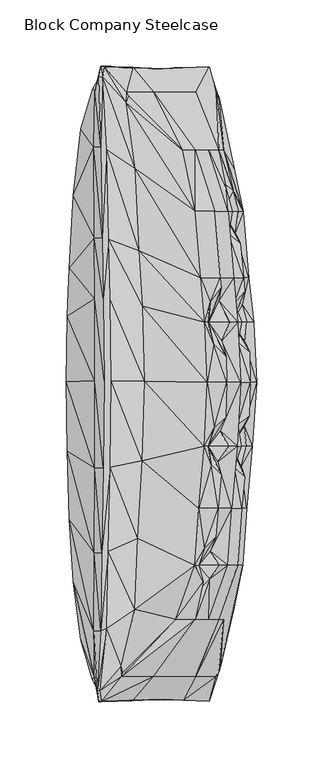
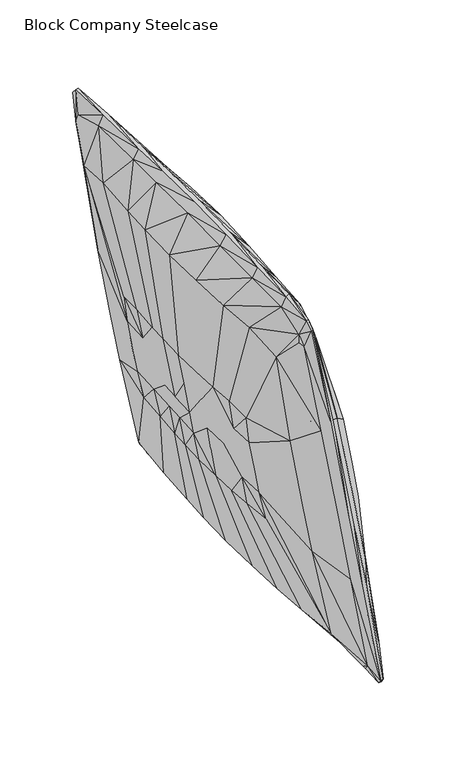
"""IFC4 building model written with IfcOpenShell, lengths in millimetres: furniture geometry, Block Company Steelcase."""

from ifc_helpers import new_model, si_unit, origin, place, context, project, spatial, triangles, source, transform, mapped, element, save


def block_company_steelcase_0cc6c010(model_context):
    return source(origin(), model_context, "Body", "Tessellation", [
        triangles([(50.6632684, -136.8740218, 31.0762032), (36.2556313, -177.4883487, 28.5357559), (43.6566149, -177.4883487, -13.4372714), (58.0642429, -136.8740218, -10.8968117), (55.4222893, -63.0541909, 3.5569984), (53.5662662, -93.9163332, 31.588086), (60.9672497, -93.9163332, -10.3849346), (63.2189973, -69.9365878, -9.897185), (58.0836685, 31.5732999, 4.1595361), (60.2216058, 1.3714042, 32.7615972), (67.6225802, 1.3714042, -9.2114199), (67.0287847, 24.0271421, -9.2255548), (44.8036288, 80.257256, 90.2928444), (55.1069652, 80.257256, 31.8597491), (51.0715965, 130.2441939, 31.14821), (40.7682646, 130.2441939, 89.5812962), (43.2629343, -93.9163332, 90.0211767), (41.4395809, -115.8336727, 89.9432109), (37.4831409, -126.4170111, 74.6425369), (49.9182739, 1.3714042, 91.1947061), (49.0766374, -25.5140086, 91.3020942), (45.0317308, -35.1483678, 75.9216558), (45.4650801, 72.7197618, 90.7673521), (43.8398023, 62.7875238, 70.2190106), (44.1812785, -136.9095756, 67.5281865), (36.8681893, -147.1129226, 74.1744196), (57.9070895, -47.0533688, 32.3534826), (51.1835673, -47.0753651, 68.2477192), (43.1618413, -58.8264693, 75.36514), (58.1613436, 46.6722102, 32.3983086), (52.0741243, 46.6636624, 63.623383), (46.0722832, 32.6066989, 71.2255852), (62.5079442, 80.257256, -10.1132692), (60.1255406, 106.1199125, -10.4326367), (51.1678751, 113.17337, 2.9800887), (60.8026886, -47.0780267, 14.5120412), (58.0343664, -30.9162656, 3.7569422), (61.0325664, 46.897469, 14.5652163), (55.4206315, 60.513026, 6.0623344), (47.4780068, -177.4883487, -61.1328465), (61.8855485, -136.8740218, -58.5924219), (64.7882692, -93.9163332, -58.08058), (66.8796205, -24.219461, -9.2517211), (63.0711184, -31.7324949, -25.178346), (72.384508, 1.3714061, -56.7411723), (63.4962151, 69.7677891, -9.8484314), (61.5255505, 59.7103543, -28.2115343), (66.3288774, 80.257256, -57.8089351), (69.1288201, -47.0533688, -57.3152334), (64.6912775, -47.0780267, -34.4728595), (60.6773783, -62.236322, -25.8628381), (70.3242413, 46.6722011, -57.1044541), (64.9214824, 46.897469, -34.4451699), (63.2580801, 32.3852008, -25.5436943), (62.2938176, 130.2441939, -58.5204287), (58.4146621, 130.3086431, -37.0148055), (56.3520609, 114.0262068, -26.8149353), (38.2419199, -61.066744, 102.2372098), (35.780683, -47.0753651, 112.3835745), (32.8275747, -47.0533688, 130.6105233), (28.4867446, -93.9163332, 129.8451086), (39.9823933, 29.8328538, 107.0043607), (35.2957221, 46.6636715, 117.2835661), (33.081822, 46.6722102, 130.6553516), (35.142091, 1.3714042, 131.0186379), (25.9920885, 130.2441849, 129.4052462), (30.0274481, 80.257256, 130.1167944), (25.5837514, -136.8740218, 129.3332394), (28.8428638, -136.9095756, 110.6205462), (32.9515088, -124.3142961, 101.0501093), (40.5479701, -32.9089583, 102.4179309), (37.4790918, 61.5422555, 107.1801675), (25.952304, -177.4883487, 86.9688376), (25.9106459, -157.9854876, 87.2050514), (32.0746274, -149.2093063, 101.2620331), (11.1761097, -177.4883487, 126.7927876), (25.9523153, 176.518804, 86.9688376), (16.4806244, 176.518804, 127.7281229), (53.9100497, 130.3086431, 14.7518794), (49.403557, 146.9817897, 3.3109784), (36.2556426, 176.518804, 28.5357559), (43.6566239, 176.518804, -13.4372714), (43.6394012, 154.4973465, -13.3395905), (54.8901134, 146.1245382, -27.7194563), (47.4780113, 176.518804, -61.1328601), (28.82295, -136.8740218, 87.4750204), (35.9831302, -47.0533688, 88.7375432), (36.234498, 46.6722011, 88.7818628), (53.6874615, -47.0533688, -11.6685647), (53.9388043, 46.6722011, -11.6242394), (46.9268504, 130.2441939, -12.8606408), (45.6104064, -68.6367216, 90.6909124), (49.4331881, 20.6075562, 91.4670369), (43.5820373, -217.4803844, -163.882584), (45.125248, -212.64387, -171.6133621), (55.0066851, -170.0313729, -169.8710084), (57.3699902, -116.5278255, -169.4543006), (60.9039088, -58.160299, -168.8311737), (63.5546009, 2.1524541, -168.3637967), (61.8771869, 58.5743135, -168.6595635), (58.624315, 100.404273, -169.2331295), (55.3390867, 162.6626912, -169.8124183), (-13.9033892, -58.160299, 240.8086661), (-17.4375292, -116.5278255, 240.1854847), (-13.6963933, 58.574318, 240.8451646), (-12.0189634, 2.1524541, 241.1409133), (-19.4686064, 162.6626912, 239.8273489), (-16.183134, 100.4042911, 240.4066558), (-19.8010465, -170.0313729, 239.7687223), (-29.68257, -212.6439427, 238.0263687), (-28.6062208, -217.6623864, 230.1042868), (13.1723553, -220.6162213, 19.9773348), (26.5570113, -220.6162213, -55.9307839), (-5.4611963, -220.6162213, 125.6534585), (42.0316868, -220.6162213, -163.3018782), (-29.5535763, -220.6162213, 229.2003267), (-24.2300254, 217.3091012, 230.9032024), (-26.1251336, 212.2045618, 238.6536196), (44.9520527, 212.2920565, -171.6439198), (43.5813833, 217.1214128, -163.9006425), (-5.4611833, 220.2974908, 125.6534585), (-25.5603198, 220.2974908, 229.893126), (26.557025, 220.2974908, -55.9307839), (13.1723689, 220.2974908, 19.9773348), (42.0317004, 220.2974908, -163.3018782), (38.7841879, -231.4561847, -204.7285828), (43.4191248, -184.612169, -203.9168409), (44.5589808, -126.4371589, -203.6064493), (46.2125226, -63.0250865, -203.2968933), (47.4259705, 2.4950038, -203.1252468), (46.6498597, 63.7928903, -203.2534548), (45.1420347, 109.2341573, -203.5057105), (43.5753698, 176.9160908, -203.8835763), (-38.1014034, -63.0137455, 268.3196686), (-39.7705421, -126.4165933, 268.0514437), (-38.0136567, 63.7771482, 268.3468472), (-37.234337, 2.4939347, 268.4891168), (-40.7936492, 176.8906199, 267.9837334), (-39.1849447, 109.2151995, 268.1543807), (-40.9525285, -184.5865346, 267.9622776), (-45.6036708, -231.4355101, 267.1545507), (1.679875, -238.1931826, 16.2569531), (17.0133147, -238.7824998, -73.0132305), (-20.6803874, -238.89294, 140.3253646), (36.6101904, -239.5257503, -196.2511751), (-44.6731317, -239.5120338, 258.4625123), (-43.970154, 231.4249366, 267.5071637), (38.7043872, 231.4264445, -204.7550892), (-20.6972241, 238.8704669, 140.3416699), (-42.8417845, 239.5218261, 258.8579641), (17.0014275, 238.760826, -73.0344955), (1.6546996, 238.1787576, 16.2487958), (36.6070202, 239.502405, -196.266999), (39.4346115, -184.465521, -204.7169738), (35.9765876, -231.2895887, -205.3702406), (26.4805171, -220.4417952, -190.65793), (27.5784266, -176.1592329, -190.4643554), (40.1091933, -126.3266187, -204.4746921), (27.546797, -120.6973839, -190.4699328), (42.1702503, 2.4968106, -204.1305997), (41.2601995, -62.965647, -204.2418756), (27.6778891, -60.1935642, -190.4467874), (27.6996832, 2.326712, -190.4429722), (40.557826, 109.1379786, -204.371101), (41.6163824, 63.7412356, -204.2127713), (27.7348487, 60.8136663, -190.4367589), (27.8614875, 104.1746642, -190.4144129), (39.5411184, 176.7794712, -204.6854532), (27.6152543, 168.7118314, -190.4578696), (-44.6412386, -127.6297278, 267.4119842), (-43.4095278, -63.6136362, 267.7609091), (-49.950821, -63.6136362, 256.5846109), (-50.3652715, -127.6297278, 256.5115412), (-42.7454922, 2.5359411, 267.9471622), (-43.3367988, 64.4180702, 267.7813838), (-49.9265764, 64.4180702, 256.5888984), (-49.729877, 2.5359411, 256.6235983), (-44.2061407, 110.2961928, 267.535723), (-45.3406327, 178.5796884, 267.2123597), (-50.6034338, 178.5796884, 256.4695561), (-50.2181738, 110.2961928, 256.5375026), (-45.4544975, -186.3111023, 267.1797309), (-50.6424348, -186.3111023, 256.4626888), (-47.9912476, -231.7996412, 266.5004664), (-50.2534642, -220.8662424, 244.0116683), (12.9283647, -238.5053184, -74.3390307), (-2.8859643, -238.2276282, 14.2753584), (-8.8677307, -228.595549, 10.9780318), (5.3764807, -228.595549, -69.8048326), (-24.1378163, -239.3333746, 139.0735969), (-28.6979077, -228.595549, 123.4405304), (33.9034493, -239.3657855, -196.8825319), (24.7915918, -228.595549, -182.0945538), (-46.8087435, -239.903071, 257.807138), (-48.60168, -228.595549, 232.6414684), (-46.67826, 231.7918292, 266.7661297), (-49.8318012, 220.6114614, 243.6951905), (35.9227687, 231.2693865, -205.3892801), (26.460844, 220.3018873, -190.6614), (-45.3517376, 239.9029983, 258.1067382), (-24.134076, 239.3168241, 139.0863232), (-28.697894, 228.4560408, 123.4405304), (-48.1579026, 228.4560408, 232.7196432), (-2.8695332, 238.2172, 14.2844149), (12.9442056, 238.4920924, -74.3485369), (5.3764944, 228.4560408, -69.8048326), (-8.8677165, 228.4560408, 10.9780318), (33.9105982, 239.3495074, -196.8930146), (24.7916054, 228.4560408, -182.0945538), (22.6686699, -223.0291009, -185.4101581), (3.193119, -192.9964138, -156.9044671), (-0.8628042, -141.1166771, -157.6196487), (-3.6721636, -96.8021491, -158.1150218), (-5.1430074, -48.7907446, -158.3743628), (-6.1515572, 1.4952421, -158.5522044), (-5.1608189, 48.2268619, -158.3775239), (-3.6829616, 82.8726941, -158.1169294), (-0.8496716, 134.4384964, -157.6173233), (-70.5175116, -50.8599497, 213.6891187), (-69.2342006, -102.341146, 213.9154312), (-70.5146548, 51.1068096, 213.6896092), (-71.4129875, 1.6624219, 213.5312068), (-66.2382625, 142.323017, 214.4436693), (-69.2341688, 87.7638563, 213.915413), (-66.2383215, -149.2281278, 214.4436875), (-60.2783338, -192.9964138, 203.2095985), (-51.7807965, -222.9123203, 235.1574122), (-29.3263054, -192.9964138, 11.2881589), (-18.7647737, -192.9964138, -48.6092286), (-44.0296253, -192.9964138, 94.6747626), (-51.3580661, 222.7308997, 235.301535), (-60.277707, 192.1573116, 203.2096893), (3.2118018, 192.1573116, -156.9011787), (22.704117, 222.8314204, -185.457339), (-44.0296163, 192.1573116, 94.6747626), (-18.7647624, 192.1573116, -48.6092286), (-29.3262941, 192.1573116, 11.2881589), (-31.5190881, -123.0680876, -47.4220282), (-34.0915237, -90.1638915, -47.8756115), (-35.873335, -62.0578536, -48.1897956), (-36.806195, -31.6071073, -48.3542796), (-37.4458611, 0.2862699, -48.4670725), (-36.8174906, 29.9253241, -48.356269), (-35.8801659, 51.8990987, -48.1909992), (-34.0831939, 84.6041927, -47.874149), (-60.8294175, -32.9194773, 88.7165779), (-60.0154864, -65.5709068, 88.8601102), (-60.8275962, 31.7519091, 88.716905), (-61.3973652, 0.3922991, 88.6164478), (-58.1153163, 89.6048504, 89.1951461), (-60.0154456, 55.0012576, 88.8601102), (-58.1153662, -95.3084903, 89.1951461), (-54.7168545, -123.0680876, 84.2340027), (-44.3054761, -123.0680876, 14.7968008), (-39.5251492, -123.0680876, -12.3137606), (-50.9604387, -123.0680876, 52.5389715), (-54.7164503, 121.2117692, 84.2340754), (-31.5072361, 121.2117692, -47.4199299), (-50.9604341, 121.2117692, 52.5389715), (-39.5251401, 121.2117692, -12.3137606), (-44.3054715, 121.2117692, 14.7968008), (-40.7922139, 85.8965738, -12.5371821), (-42.750938, -31.9462831, -12.8825576), (-43.6359857, 0.3136732, -13.0386187), (-48.3740958, 0.3346465, 14.0793902), (-47.3012189, -32.2058989, 14.2685649), (-54.1531717, -32.5673231, 51.9760153), (-54.9703002, 0.3638472, 51.8319289), (-45.4608516, 86.8858212, 14.5930727), (-52.1384191, 88.2629992, 52.3312625), (-41.6528173, -62.9657878, -12.688925), (-46.2641456, -63.6607399, 14.4514333), (-53.0221043, -64.6282272, 52.1754444), (-42.7834896, 30.3973883, -12.8882951), (-47.3500486, 30.7587307, 14.2599581), (-54.1763398, 31.2617682, 51.9719276), (-40.6429135, -91.4934797, -12.510854), (-45.3129454, -92.5111955, 14.6191556), (-51.9884555, -93.9280149, 52.3577098), (-41.9832523, 52.7008393, -12.7471927), (-46.5908289, 53.3145146, 14.3938264), (-53.3573581, 54.1688366, 52.1163365)], [[1, 2, 3], [3, 4, 1], [5, 6, 7], [7, 8, 5], [9, 10, 11], [11, 12, 9], [13, 14, 15], [16, 13, 15], [17, 18, 19], [19, 6, 17], [20, 21, 22], [22, 10, 20], [13, 23, 24], [24, 14, 13], [1, 25, 26], [26, 2, 1], [27, 28, 29], [29, 6, 27], [30, 31, 32], [32, 10, 30], [33, 34, 35], [14, 33, 35], [4, 7, 6], [6, 1, 4], [27, 36, 37], [37, 10, 27], [30, 38, 39], [39, 14, 30], [4, 3, 40], [40, 41, 4], [7, 4, 41], [41, 42, 7], [11, 43, 44], [44, 45, 11], [33, 46, 47], [47, 48, 33], [49, 50, 51], [51, 42, 49], [52, 53, 54], [54, 45, 52], [55, 56, 57], [57, 48, 55], [58, 59, 60], [60, 61, 58], [62, 63, 64], [64, 65, 62], [13, 16, 66], [66, 67, 13], [68, 69, 70], [70, 61, 68], [60, 59, 71], [71, 65, 60], [64, 63, 72], [72, 67, 64], [73, 74, 75], [75, 76, 73], [66, 16, 77], [77, 78, 66], [15, 79, 80], [80, 81, 15], [16, 15, 81], [81, 77, 16], [82, 83, 84], [84, 85, 82], [70, 69, 86], [71, 59, 87], [72, 63, 88], [37, 36, 89], [39, 38, 90], [80, 79, 91], [19, 18, 86], [75, 74, 86], [86, 26, 25], [59, 58, 87], [29, 28, 87], [87, 22, 21], [63, 62, 88], [32, 31, 88], [88, 24, 23], [5, 8, 89], [51, 50, 89], [89, 44, 43], [9, 12, 90], [54, 53, 90], [90, 47, 46], [35, 34, 91], [57, 56, 91], [91, 84, 83], [91, 83, 80], [80, 83, 82], [82, 81, 80], [91, 79, 35], [35, 79, 15], [15, 14, 35], [90, 46, 39], [39, 46, 33], [33, 14, 39], [91, 34, 57], [57, 34, 33], [33, 48, 57], [91, 56, 84], [84, 56, 55], [55, 85, 84], [90, 38, 9], [9, 38, 30], [30, 10, 9], [90, 12, 54], [54, 12, 11], [11, 45, 54], [90, 53, 47], [47, 53, 52], [52, 48, 47], [89, 50, 44], [44, 50, 49], [49, 45, 44], [89, 8, 51], [51, 8, 7], [7, 42, 51], [89, 36, 5], [5, 36, 27], [27, 6, 5], [89, 43, 37], [37, 43, 11], [11, 10, 37], [86, 25, 19], [19, 25, 1], [1, 6, 19], [86, 74, 26], [26, 74, 73], [73, 2, 26], [86, 69, 75], [75, 69, 68], [68, 76, 75], [86, 18, 70], [70, 18, 17], [17, 61, 70], [17, 92, 58], [58, 61, 17], [58, 92, 87], [87, 21, 71], [71, 21, 20], [20, 65, 71], [87, 28, 22], [22, 28, 27], [27, 10, 22], [87, 92, 29], [29, 92, 17], [17, 6, 29], [20, 93, 62], [62, 65, 20], [62, 93, 88], [88, 23, 72], [72, 23, 13], [13, 67, 72], [88, 31, 24], [24, 31, 30], [30, 14, 24], [88, 93, 32], [32, 93, 20], [20, 10, 32], [40, 94, 95], [41, 40, 95], [41, 95, 96], [42, 41, 96], [96, 97, 42], [45, 49, 98], [98, 99, 45], [48, 52, 100], [100, 101, 48], [49, 42, 97], [97, 98, 49], [52, 45, 99], [99, 100, 52], [55, 48, 101], [101, 102, 55], [61, 60, 103], [103, 104, 61], [65, 64, 105], [105, 106, 65], [67, 66, 107], [107, 108, 67], [68, 61, 104], [104, 109, 68], [60, 65, 106], [106, 103, 60], [64, 67, 108], [108, 105, 64], [76, 68, 109], [109, 110, 111], [76, 109, 111], [3, 2, 112], [112, 113, 3], [2, 73, 114], [114, 112, 2], [40, 3, 113], [113, 115, 94], [40, 113, 94], [76, 111, 116], [73, 76, 116], [73, 116, 114], [78, 117, 118], [66, 78, 118], [66, 118, 107], [85, 55, 102], [102, 119, 120], [85, 102, 120], [78, 77, 121], [121, 122, 117], [78, 121, 117], [81, 82, 123], [123, 124, 81], [77, 81, 124], [124, 121, 77], [85, 120, 125], [82, 85, 125], [82, 125, 123], [96, 95, 126], [126, 127, 96], [97, 96, 127], [127, 128, 97], [99, 98, 129], [129, 130, 99], [101, 100, 131], [131, 132, 101], [98, 97, 128], [128, 129, 98], [100, 99, 130], [130, 131, 100], [102, 101, 132], [132, 133, 102], [104, 103, 134], [134, 135, 104], [106, 105, 136], [136, 137, 106], [108, 107, 138], [138, 139, 108], [109, 104, 135], [135, 140, 109], [103, 106, 137], [137, 134, 103], [105, 108, 139], [139, 136, 105], [110, 109, 140], [140, 141, 110], [113, 112, 142], [142, 143, 113], [112, 114, 144], [144, 142, 112], [115, 113, 143], [143, 145, 115], [114, 116, 146], [146, 144, 114], [107, 118, 147], [147, 138, 107], [119, 102, 133], [133, 148, 119], [122, 121, 149], [149, 150, 122], [124, 123, 151], [151, 152, 124], [121, 124, 152], [152, 149, 121], [123, 125, 153], [153, 151, 123], [154, 155, 156], [156, 157, 154], [158, 154, 157], [157, 159, 158], [160, 161, 162], [162, 163, 160], [164, 165, 166], [166, 167, 164], [161, 158, 159], [159, 162, 161], [165, 160, 163], [163, 166, 165], [168, 164, 167], [167, 169, 168], [170, 171, 172], [172, 173, 170], [174, 175, 176], [176, 177, 174], [178, 179, 180], [180, 181, 178], [182, 170, 173], [173, 183, 182], [171, 174, 177], [177, 172, 171], [175, 178, 181], [181, 176, 175], [184, 182, 183], [183, 185, 184], [186, 187, 188], [188, 189, 186], [187, 190, 191], [191, 188, 187], [192, 186, 189], [189, 193, 192], [190, 194, 195], [195, 191, 190], [179, 196, 197], [197, 180, 179], [198, 168, 169], [169, 199, 198], [200, 201, 202], [202, 203, 200], [204, 205, 206], [206, 207, 204], [201, 204, 207], [207, 202, 201], [205, 208, 209], [209, 206, 205], [157, 156, 210], [157, 210, 211], [157, 211, 212], [159, 157, 212], [212, 213, 159], [163, 162, 214], [214, 215, 163], [167, 166, 216], [216, 217, 167], [162, 159, 213], [213, 214, 162], [166, 163, 215], [215, 216, 166], [169, 167, 217], [217, 218, 169], [173, 172, 219], [219, 220, 173], [177, 176, 221], [221, 222, 177], [181, 180, 223], [223, 224, 181], [183, 173, 220], [220, 225, 183], [172, 177, 222], [222, 219, 172], [176, 181, 224], [224, 221, 176], [185, 183, 225], [185, 225, 226], [227, 185, 226], [189, 188, 228], [228, 229, 189], [188, 191, 230], [230, 228, 188], [193, 189, 229], [193, 229, 211], [210, 193, 211], [191, 195, 227], [191, 227, 226], [191, 226, 230], [180, 197, 231], [180, 231, 232], [180, 232, 223], [199, 169, 218], [199, 218, 233], [234, 199, 233], [203, 202, 235], [203, 235, 232], [231, 203, 232], [207, 206, 236], [236, 237, 207], [202, 207, 237], [237, 235, 202], [206, 209, 234], [206, 234, 233], [206, 233, 236], [212, 211, 238], [238, 239, 212], [213, 212, 239], [239, 240, 213], [215, 214, 241], [241, 242, 215], [217, 216, 243], [243, 244, 217], [214, 213, 240], [240, 241, 214], [216, 215, 242], [242, 243, 216], [218, 217, 244], [244, 245, 218], [220, 219, 246], [246, 247, 220], [222, 221, 248], [248, 249, 222], [224, 223, 250], [250, 251, 224], [225, 220, 247], [247, 252, 225], [219, 222, 249], [249, 246, 219], [221, 224, 251], [251, 248, 221], [226, 225, 252], [252, 253, 226], [229, 228, 254], [254, 255, 229], [228, 230, 256], [256, 254, 228], [211, 229, 255], [255, 238, 211], [230, 226, 253], [253, 256, 230], [223, 232, 257], [257, 250, 223], [233, 218, 245], [245, 258, 233], [232, 235, 259], [259, 257, 232], [237, 236, 260], [260, 261, 237], [235, 237, 261], [261, 259, 235], [236, 233, 258], [258, 260, 236], [258, 245, 262], [262, 260, 258], [241, 263, 264], [264, 242, 241], [265, 266, 267], [267, 268, 265], [261, 269, 270], [270, 259, 261], [240, 271, 263], [263, 241, 240], [272, 273, 267], [267, 266, 272], [243, 242, 264], [264, 274, 243], [275, 265, 268], [268, 276, 275], [266, 263, 271], [271, 272, 266], [266, 265, 264], [264, 263, 266], [265, 275, 274], [274, 264, 265], [269, 261, 260], [260, 262, 269], [247, 246, 267], [267, 273, 247], [246, 249, 268], [268, 267, 246], [249, 248, 276], [276, 268, 249], [257, 259, 270], [270, 250, 257], [238, 255, 277], [277, 239, 238], [255, 254, 278], [278, 277, 255], [254, 256, 279], [279, 278, 254], [279, 256, 253], [253, 252, 279], [245, 244, 280], [280, 262, 245], [262, 280, 281], [281, 269, 262], [269, 281, 282], [282, 270, 269], [270, 282, 251], [251, 250, 270], [244, 243, 274], [274, 280, 244], [280, 274, 275], [275, 281, 280], [281, 275, 276], [276, 282, 281], [282, 276, 248], [248, 251, 282], [240, 239, 277], [277, 271, 240], [277, 278, 272], [272, 271, 277], [278, 279, 273], [273, 272, 278], [247, 273, 279], [279, 252, 247], [126, 155, 154], [154, 127, 126], [127, 154, 158], [158, 128, 127], [129, 161, 160], [160, 130, 129], [131, 165, 164], [164, 132, 131], [128, 158, 161], [161, 129, 128], [130, 160, 165], [165, 131, 130], [132, 164, 168], [168, 133, 132], [134, 171, 170], [170, 135, 134], [136, 175, 174], [174, 137, 136], [138, 179, 178], [178, 139, 138], [135, 170, 182], [182, 140, 135], [137, 174, 171], [171, 134, 137], [139, 178, 175], [175, 136, 139], [140, 182, 184], [184, 141, 140], [142, 187, 186], [186, 143, 142], [144, 190, 187], [187, 142, 144], [143, 186, 192], [192, 145, 143], [146, 194, 190], [190, 144, 146], [147, 196, 179], [179, 138, 147], [133, 168, 198], [198, 148, 133], [149, 201, 200], [200, 150, 149], [151, 205, 204], [204, 152, 151], [152, 204, 201], [201, 149, 152], [153, 208, 205], [205, 151, 153], [94, 115, 95], [111, 110, 116], [117, 122, 118], [120, 119, 125], [156, 193, 210], [185, 227, 195], [197, 203, 231], [199, 234, 209], [95, 115, 145], [145, 126, 95], [116, 110, 141], [141, 146, 116], [118, 122, 150], [150, 147, 118], [125, 119, 148], [148, 153, 125], [155, 192, 193], [193, 156, 155], [194, 184, 185], [185, 195, 194], [196, 200, 203], [203, 197, 196], [208, 198, 199], [199, 209, 208], [192, 155, 126], [126, 145, 192], [184, 194, 146], [146, 141, 184], [200, 196, 147], [147, 150, 200], [198, 208, 153], [153, 148, 198]]),
    ])


if __name__ == "__main__":
    model = new_model("IFC4")
    model_context = context("Model", 3, world=origin())
    ifc_project = project(units=[si_unit("LENGTHUNIT", "METRE", prefix="MILLI")], contexts=[model_context])
    site = spatial("IfcSite", under=ifc_project)
    building = spatial("IfcBuilding", under=site)
    placement = place(None, origin())
    block_company_steelcase_shape = block_company_steelcase_0cc6c010(model_context)
    element("IfcFurniture", 1, ObjectType="Block Company Steelcase", at=placement, inside=building, context=model_context, shape_type="MappedRepresentation", body=[
        mapped(block_company_steelcase_shape, transform((0.0, 0.0, 0.0), x_axis=(1.0, 0.0, 0.0), y_axis=(0.0, 1.0, 0.0), z_axis=(0.0, 0.0, 1.0))),
    ])
    save(model, "model.ifc")
